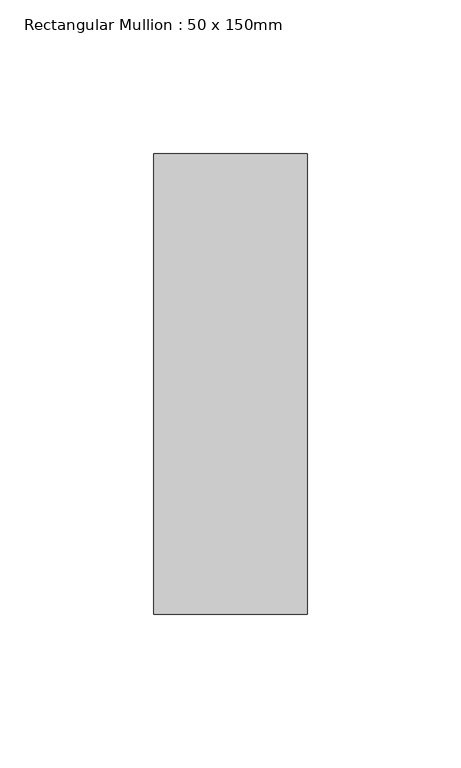
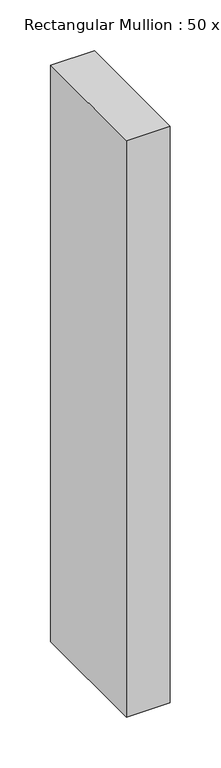
"""IFC4 building model written with IfcOpenShell, lengths in millimetres: member geometry, Rectangular Mullion : 50 x 150mm."""

import ifcopenshell
import ifcopenshell.guid

model = None  # the IFC model being written
_history = None  # IfcOwnerHistory: only IFC2X3 demands one
_inside = {}  # id of a spatial element -> (the spatial element, [elements in it])
_under = {}  # id of a project, library or spatial element -> (it, [spatial elements below it])
_declared = {}  # id of a project -> (the project, [libraries it declares])
_typed = {}  # id of a type object -> (the type object, [elements of that type])
_made_of = {}  # id of a material, layer set ... -> (it, [elements and type objects made of it])


def new_model(schema):
    """Start an empty IFC model of exactly this schema.

    Asked for "IFC4X3", IfcOpenShell would pick the latest addendum, in which some entities
    have other attributes; the version numbers below select the first issue.
    IFC2X3 requires an IfcOwnerHistory on every rooted entity: one is made here for all.
    """
    global model, _history
    if schema == "IFC4X3":
        model = ifcopenshell.file(schema_version=(4, 3, 0, 0))
    else:
        model = ifcopenshell.file(schema=schema)
    _inside.clear()
    _under.clear()
    _declared.clear()
    _typed.clear()
    _made_of.clear()
    _history = None
    if model.schema == "IFC2X3":
        org = make("IfcOrganization", Name="unknown")
        user = make(
            "IfcPersonAndOrganization",
            ThePerson=make("IfcPerson", FamilyName="unknown"),
            TheOrganization=org,
        )
        app = make(
            "IfcApplication",
            ApplicationDeveloper=org,
            Version="unknown",
            ApplicationFullName="unknown",
            ApplicationIdentifier="unknown",
        )
        _history = make(
            "IfcOwnerHistory",
            OwningUser=user,
            OwningApplication=app,
            ChangeAction="ADDED",
            CreationDate=0,
        )
    return model


def make(cls, **values):
    """One entity of the class cls with the attributes given. An attribute that is None is left unset."""
    return model.create_entity(
        cls, **{name: value for name, value in values.items() if value is not None}
    )


def rooted(cls, **values):
    """An entity with a GlobalId (a new one), such as an element, a storey or a relation."""
    return make(cls, GlobalId=ifcopenshell.guid.new(), OwnerHistory=_history, **values)


def si_unit(unit_type, name, prefix=None):
    """IfcSIUnit, for example si_unit("LENGTHUNIT", "METRE", prefix="MILLI")."""
    return make("IfcSIUnit", UnitType=unit_type, Prefix=prefix, Name=name)


def assignment(units):
    """IfcUnitAssignment: the units of a project."""
    return None if units is None else make("IfcUnitAssignment", Units=units)


def point(xyz):
    """IfcCartesianPoint."""
    return None if xyz is None else make("IfcCartesianPoint", Coordinates=xyz)


def direction(xyz):
    """IfcDirection."""
    return None if xyz is None else make("IfcDirection", DirectionRatios=xyz)


def frame(location, z_axis=None, x_axis=None):
    """IfcAxis2Placement3D, a coordinate frame: its origin and axes. An axis left out is left unset."""
    return make(
        "IfcAxis2Placement3D",
        Location=point(location),
        Axis=direction(z_axis),
        RefDirection=direction(x_axis),
    )


def origin():
    """The frame at (0, 0, 0) with its axes left unset."""
    return frame((0.0, 0.0, 0.0))


def place(relative_to, where):
    """IfcLocalPlacement: puts the frame where relative to a parent placement (None: the world)."""
    return make(
        "IfcLocalPlacement", PlacementRelTo=relative_to, RelativePlacement=where
    )


def context(
    kind, dimensions, precision=None, world=None, true_north=None, identifier=None
):
    """IfcGeometricRepresentationContext, for example the 3D "Model" context."""
    return make(
        "IfcGeometricRepresentationContext",
        ContextIdentifier=identifier,
        ContextType=kind,
        CoordinateSpaceDimension=dimensions,
        Precision=precision,
        WorldCoordinateSystem=world,
        TrueNorth=true_north,
    )


def project(units=None, contexts=None):
    """IfcProject with its units and contexts."""
    return rooted(
        "IfcProject",
        Name="project",
        RepresentationContexts=contexts,
        UnitsInContext=assignment(units),
    )


def spatial(cls, under=None, at=None, **own):
    """A site, building, storey or space (cls), placed at a placement, below another one or the project."""
    s = rooted(cls, ObjectPlacement=at, **own)
    if under is not None:
        _under.setdefault(under.id(), (under, []))[1].append(s)
    return s


def polyline(points):
    """IfcPolyline through the points."""
    return make("IfcPolyline", Points=[point(p) for p in points])


def outline(outer, holes=None, kind="AREA"):
    """IfcArbitraryClosedProfileDef: a profile drawn as a closed curve; with holes, ...WithVoids."""
    if holes is None:
        return make("IfcArbitraryClosedProfileDef", ProfileType=kind, OuterCurve=outer)
    return make(
        "IfcArbitraryProfileDefWithVoids",
        ProfileType=kind,
        OuterCurve=outer,
        InnerCurves=holes,
    )


def extrude(swept, where, along, depth):
    """IfcExtrudedAreaSolid: the profile swept, set in the frame where, extruded along a direction by depth."""
    return make(
        "IfcExtrudedAreaSolid",
        SweptArea=swept,
        Position=where,
        ExtrudedDirection=direction(along),
        Depth=depth,
    )


def shape(context_of_items, identifier, shape_type, items):
    """IfcShapeRepresentation: the items that make up one representation, for example the "Body"."""
    return make(
        "IfcShapeRepresentation",
        ContextOfItems=context_of_items,
        RepresentationIdentifier=identifier,
        RepresentationType=shape_type,
        Items=items,
    )


def source(mapping_origin, context_of_items, identifier, shape_type, items):
    """IfcRepresentationMap: a shape defined once, which mapped items show again and again."""
    return make(
        "IfcRepresentationMap",
        MappingOrigin=mapping_origin,
        MappedRepresentation=shape(context_of_items, identifier, shape_type, items),
    )


def transform(
    local_origin,
    x_axis=None,
    y_axis=None,
    z_axis=None,
    scale=None,
    scale2=None,
    scale3=None,
    uniform=True,
):
    """IfcCartesianTransformationOperator3D, or its non-uniform kind. x_axis, y_axis, z_axis: its Axis1, 2, 3."""
    if uniform:
        return make(
            "IfcCartesianTransformationOperator3D",
            Axis1=direction(x_axis),
            Axis2=direction(y_axis),
            LocalOrigin=point(local_origin),
            Scale=scale,
            Axis3=direction(z_axis),
        )
    return make(
        "IfcCartesianTransformationOperator3DnonUniform",
        Axis1=direction(x_axis),
        Axis2=direction(y_axis),
        LocalOrigin=point(local_origin),
        Scale=scale,
        Axis3=direction(z_axis),
        Scale2=scale2,
        Scale3=scale3,
    )


def mapped(mapping_source, mapping_target):
    """IfcMappedItem: shows the shape of a source again, moved by a transform."""
    return make(
        "IfcMappedItem", MappingSource=mapping_source, MappingTarget=mapping_target
    )


def made_of(thing, what):
    """Note that an element or type object is made of a material, layer set ...; save() writes the relation."""
    if what is not None:
        _made_of.setdefault(what.id(), (what, []))[1].append(thing)
    return thing


def element(
    cls,
    number,
    at=None,
    inside=None,
    cuts=None,
    type_object=None,
    material=None,
    context=None,
    identifier="Body",
    shape_type=None,
    held_by="IfcProductDefinitionShape",
    body=None,
    shapes=None,
    **own,
):
    """One element of the class cls, such as IfcWall. Its Tag is "e" and its number.

    at: its placement. inside: the storey or other place that contains it. cuts: it is an
    opening in that element (IfcRelVoidsElement). A single representation is given by context,
    identifier, shape_type and body (its items); several are given by shapes. held_by: the class
    of the entity that holds the representations. save() writes the other relations.
    """
    e = rooted(cls, Tag="e%d" % number, ObjectPlacement=at, **own)
    if body is not None:
        shapes = [shape(context, identifier, shape_type, body)]
    if shapes is not None:
        e.Representation = make(held_by, Representations=shapes)
    if inside is not None:
        _inside.setdefault(inside.id(), (inside, []))[1].append(e)
    if cuts is not None:
        rooted(
            "IfcRelVoidsElement", RelatingBuildingElement=cuts, RelatedOpeningElement=e
        )
    if type_object is not None:
        _typed.setdefault(type_object.id(), (type_object, []))[1].append(e)
    return made_of(e, material)


def aggregate(whole, parts):
    """IfcRelAggregates: a whole, such as a stair, and the parts it consists of."""
    return rooted("IfcRelAggregates", RelatingObject=whole, RelatedObjects=parts)


def save(model, path):
    """Write the relations noted so far, then the file.

    IfcRelAggregates (storeys below a building ...), IfcRelContainedInSpatialStructure (elements
    in a storey), IfcRelDefinesByType, IfcRelAssociatesMaterial and IfcRelDeclares: one each for
    every whole, place, type object, material and project.
    """
    for whole, parts in _under.values():
        aggregate(whole, parts)
    for where, things in _inside.values():
        rooted(
            "IfcRelContainedInSpatialStructure",
            RelatedElements=things,
            RelatingStructure=where,
        )
    for kind, things in _typed.values():
        rooted("IfcRelDefinesByType", RelatedObjects=things, RelatingType=kind)
    for what, things in _made_of.values():
        rooted("IfcRelAssociatesMaterial", RelatedObjects=things, RelatingMaterial=what)
    for by, libraries in _declared.values():
        rooted("IfcRelDeclares", RelatingContext=by, RelatedDefinitions=libraries)
    model.write(path)


def rectangular_mullion_50_x_150mm_248f07e6(model_context):
    return source(origin(), model_context, "Body", "SweptSolid", [
        extrude(outline(polyline([(0.0, 75.0), (0.0, -75.0), (-50.0, -75.0), (-50.0, 75.0), (0.0, 75.0)])), frame((0.0, 0.0, -695.0), z_axis=(0.0, 0.0, 1.0), x_axis=(1.0, 0.0, 0.0)), (0.0, 0.0, 1.0), 695.0),
    ])


if __name__ == "__main__":
    model = new_model("IFC4")
    model_context = context("Model", 3, world=origin())
    ifc_project = project(units=[si_unit("LENGTHUNIT", "METRE", prefix="MILLI")], contexts=[model_context])
    site = spatial("IfcSite", under=ifc_project)
    building = spatial("IfcBuilding", under=site)
    placement = place(None, origin())
    rectangular_mullion_50_x_150mm_shape = rectangular_mullion_50_x_150mm_248f07e6(model_context)
    element("IfcMember", 1, ObjectType="Rectangular Mullion : 50 x 150mm", at=placement, inside=building, context=model_context, shape_type="MappedRepresentation", body=[
        mapped(rectangular_mullion_50_x_150mm_shape, transform((0.0, 0.0, 0.0), x_axis=(1.0, 0.0, 0.0), y_axis=(0.0, 1.0, 0.0), z_axis=(0.0, 0.0, 1.0))),
    ])
    save(model, "model.ifc")
